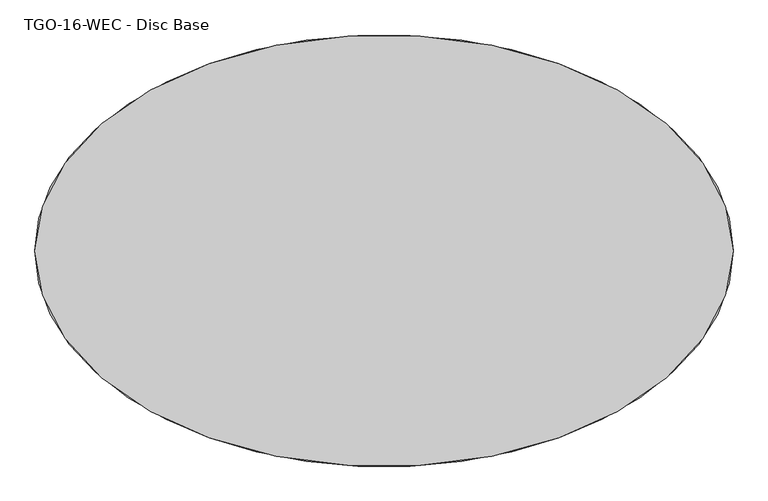
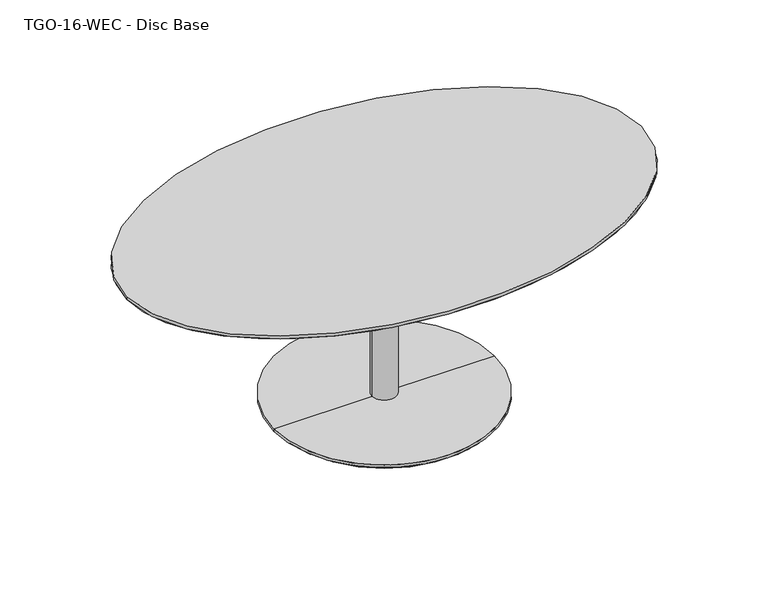
"""IFC4 building model written with IfcOpenShell, lengths in millimetres: furniture geometry, TGO-16-WEC - Disc Base."""

from ifc_helpers import new_model, si_unit, point, frame, origin, origin_with_axes, place, context, project, spatial, polyline, circle_curve, ellipse_curve, trimmed, source, transform, mapped, element, save
from ifc_brep_helpers import plane_surface, cylinder_surface, revolved_surface, extruded_surface, spline_surface, advanced_brep


def tgo_16_wec_disc_base_4b75ad3d(model_context):
    return source(origin(), model_context, "Body", "AdvancedBrep", [
        advanced_brep(
        [(-228.5999516, 0.0, 3.9999977), (228.5999516, 0.0, 3.9999977), (224.6000504, 0.0, 0.0), (-224.6000504, 0.0, 0.0), (-228.5999516, 0.0, 9.5249943), (228.5999516, 0.0, 9.5249943), (-25.4, 0.0, 9.5249943), (25.4, 0.0, 9.5249943), (-25.4, 0.0, 387.3500121), (25.4, 0.0, 387.3500121), (0.0, 0.0, 387.3500121), (0.0, 0.0, 0.0)],
        [
            (0, 1, circle_curve(frame((0.0, 0.0, 3.9999977), z_axis=(0.0, 0.0, -1.0), x_axis=(1.0, 0.0, 0.0)), 228.5999516)),
            (1, 2),
            (2, 3, circle_curve(origin_with_axes(), 224.6000504)),
            (3, 0),
            (1, 0, circle_curve(frame((0.0, 0.0, 3.9999977), z_axis=(0.0, 0.0, -1.0), x_axis=(1.0, 0.0, 0.0)), 228.5999516)),
            (3, 2, circle_curve(origin_with_axes(), 224.6000504)),
            (4, 5, circle_curve(frame((0.0, 0.0, 9.5249943), z_axis=(0.0, 0.0, -1.0), x_axis=(1.0, 0.0, 0.0)), 228.5999516)),
            (5, 1),
            (0, 4),
            (5, 4, circle_curve(frame((0.0, 0.0, 9.5249943), z_axis=(0.0, 0.0, -1.0), x_axis=(1.0, 0.0, 0.0)), 228.5999516)),
            (6, 7, circle_curve(frame((0.0, 0.0, 9.5249943), z_axis=(0.0, 0.0, -1.0), x_axis=(1.0, 0.0, 0.0)), 25.4)),
            (7, 5),
            (4, 6),
            (7, 6, circle_curve(frame((0.0, 0.0, 9.5249943), z_axis=(0.0, 0.0, -1.0), x_axis=(1.0, 0.0, 0.0)), 25.4)),
            (8, 9, circle_curve(frame((0.0, 0.0, 387.3500121), z_axis=(0.0, 0.0, -1.0), x_axis=(1.0, 0.0, 0.0)), 25.4)),
            (9, 7),
            (6, 8),
            (9, 8, circle_curve(frame((0.0, 0.0, 387.3500121), z_axis=(0.0, 0.0, -1.0), x_axis=(1.0, 0.0, 0.0)), 25.4)),
            (10, 9),
            (8, 10),
            (2, 11),
            (11, 3),
        ],
        [
            revolved_surface(polyline([(224.6000504, 0.0, 0.0), (228.5999516, 0.0, 3.9999977)]), (0.0, 0.0, -14.8746078), (0.0, 0.0, 1.0)),
            cylinder_surface(frame((0.0, 0.0, -14.8746078), z_axis=(0.0, 0.0, 1.0), x_axis=(1.0, 0.0, 0.0)), 228.5999516),
            plane_surface(frame((0.0, 0.0, 9.5249943), z_axis=(0.0, 0.0, 1.0), x_axis=(1.0, 0.0, 0.0))),
            cylinder_surface(frame((0.0, 0.0, -14.8746078), z_axis=(0.0, 0.0, 1.0), x_axis=(1.0, 0.0, 0.0)), 25.4),
            plane_surface(frame((0.0, 0.0, 387.3500121), z_axis=(0.0, 0.0, 1.0), x_axis=(1.0, 0.0, 0.0))),
            plane_surface(frame((0.0, 0.0, 0.0), z_axis=(0.0, 0.0, -1.0), x_axis=(1.0, 0.0, 0.0))),
        ],
        [
            (0, [[1, 2, 3, 4]]),
            (0, [[5, -4, 6, -2]]),
            (1, [[7, 8, -1, 9]]),
            (1, [[10, -9, -5, -8]]),
            (2, [[11, 12, -7, 13]]),
            (2, [[14, -13, -10, -12]]),
            (3, [[15, 16, -11, 17]]),
            (3, [[18, -17, -14, -16]]),
            (4, [[19, -15, 20]]),
            (4, [[-20, -18, -19]]),
            (5, [[-3, 21, 22]]),
            (5, [[-6, -22, -21]]),
        ],
    ),
        advanced_brep(
        [(533.3999516, 0.0, 406.4000121), (-533.3999516, 0.0, 406.4000121), (533.3999516, 0.0, 400.05), (-533.3999516, 0.0, 400.05)],
        [
            (0, 1, ellipse_curve(frame((0.0, 0.0, 406.4000121), z_axis=(0.0, 0.0, 1.0), x_axis=(-1.0, 0.0, 0.0)), 533.3999516, 330.2000109)),
            (1, 0, ellipse_curve(frame((0.0, 0.0, 406.4000121), z_axis=(0.0, 0.0, 1.0), x_axis=(-1.0, 0.0, 0.0)), 533.3999516, 330.2000109)),
            (2, 3, ellipse_curve(frame((0.0, 0.0, 400.05), z_axis=(0.0, 0.0, -1.0), x_axis=(-1.0, 0.0, 0.0)), 533.3999516, 330.2000109)),
            (3, 2, ellipse_curve(frame((0.0, 0.0, 400.05), z_axis=(0.0, 0.0, -1.0), x_axis=(-1.0, 0.0, 0.0)), 533.3999516, 330.2000109)),
            (0, 2),
            (3, 1),
        ],
        [
            plane_surface(frame((-533.3999516, 0.0, 406.4000121), z_axis=(0.0, 0.0, 1.0), x_axis=(0.0, -1.0, 0.0))),
            plane_surface(frame((-533.3999516, 0.0, 400.05), z_axis=(0.0, 0.0, -1.0), x_axis=(0.0, 1.0, 0.0))),
            extruded_surface(trimmed(ellipse_curve(frame((0.0, 0.0, 393.6999879), z_axis=(0.0, 0.0, 1.0), x_axis=(-1.0, 0.0, 0.0)), 533.3999516, 330.2000109), [point((533.3999516, 0.0, 393.6999879))], [point((-533.3999516, 0.0, 393.6999879))], True, "CARTESIAN"), (0.0, 0.0, 6.350012100000015), 6.350012100000015),
            extruded_surface(trimmed(ellipse_curve(frame((0.0, 0.0, 393.6999879), z_axis=(0.0, 0.0, 1.0), x_axis=(-1.0, 0.0, 0.0)), 533.3999516, 330.2000109), [point((-533.3999516, 0.0, 393.6999879))], [point((533.3999516, 0.0, 393.6999879))], True, "CARTESIAN"), (0.0, 0.0, 6.350012100000015), 6.350012100000015),
        ],
        [
            (0, [[1, 2]]),
            (1, [[3, 4]]),
            (2, [[-1, 5, -4, 6]]),
            (3, [[-2, -6, -3, -5]]),
        ],
    ),
        advanced_brep(
        [(533.3999516, 0.0, 400.05), (-533.3999516, 0.0, 400.05), (495.2999516, 0.0, 387.3500121), (-495.2999516, 0.0, 387.3500121)],
        [
            (0, 1, ellipse_curve(frame((0.0, 0.0, 400.05), z_axis=(0.0, 0.0, 1.0), x_axis=(-1.0, 0.0, 0.0)), 533.3999516, 330.2000109)),
            (1, 0, ellipse_curve(frame((0.0, 0.0, 400.05), z_axis=(0.0, 0.0, 1.0), x_axis=(-1.0, 0.0, 0.0)), 533.3999516, 330.2000109)),
            (2, 3, ellipse_curve(frame((0.0, 0.0, 387.3500121), z_axis=(0.0, 0.0, -1.0), x_axis=(-1.0, 0.0, 0.0)), 495.2999516, 292.0981405)),
            (3, 2, ellipse_curve(frame((0.0, 0.0, 387.3500121), z_axis=(0.0, 0.0, -1.0), x_axis=(-1.0, 0.0, 0.0)), 495.2999516, 292.0981405)),
            (3, 1),
            (0, 2),
        ],
        [
            plane_surface(frame((0.0, 0.0, 400.05), z_axis=(0.0, 0.0, 1.0), x_axis=(0.0, 1.0, 0.0))),
            plane_surface(frame((0.0, 0.0, 387.3500121), z_axis=(0.0, 0.0, -1.0), x_axis=(0.0, 1.0, 0.0))),
            spline_surface(2, 1, [[(495.2999516, 0.0, 387.3500121), (533.3999516, 0.0, 400.05)], [(495.2999516, 292.0981405, 387.3500121), (533.3999516, 330.2000109, 400.05)], [(0.0, 292.0981405, 387.3500121), (0.0, 330.2000109, 400.05)], [(-495.2999516, 292.0981405, 387.3500121), (-533.3999516, 330.2000109, 400.05)], [(-495.2999516, 0.0, 387.3500121), (-533.3999516, 0.0, 400.05)]], [3, 2, 3], [2, 2], [0.0, 1.0, 2.0], [0.0, 1.0], weights=[[1.0, 1.0], [0.7071067811865476, 0.7071067811865476], [1.0, 1.0], [0.7071067811865476, 0.7071067811865476], [1.0, 1.0]]),
            spline_surface(2, 1, [[(-495.2999516, 0.0, 387.3500121), (-533.3999516, 0.0, 400.05)], [(-495.2999516, -292.0981405, 387.3500121), (-533.3999516, -330.2000109, 400.05)], [(0.0, -292.0981405, 387.3500121), (0.0, -330.2000109, 400.05)], [(495.2999516, -292.0981405, 387.3500121), (533.3999516, -330.2000109, 400.05)], [(495.2999516, 0.0, 387.3500121), (533.3999516, 0.0, 400.05)]], [3, 2, 3], [2, 2], [0.0, 1.0, 2.0], [0.0, 1.0], weights=[[1.0, 1.0], [0.7071067811865476, 0.7071067811865476], [1.0, 1.0], [0.7071067811865476, 0.7071067811865476], [1.0, 1.0]]),
        ],
        [
            (0, [[1, 2]]),
            (1, [[3, 4]]),
            (2, [[-4, 5, -1, 6]]),
            (3, [[-3, -6, -2, -5]]),
        ],
    ),
    ])


if __name__ == "__main__":
    model = new_model("IFC4")
    model_context = context("Model", 3, world=origin())
    ifc_project = project(units=[si_unit("LENGTHUNIT", "METRE", prefix="MILLI")], contexts=[model_context])
    site = spatial("IfcSite", under=ifc_project)
    building = spatial("IfcBuilding", under=site)
    placement = place(None, origin())
    tgo_16_wec_disc_base_shape = tgo_16_wec_disc_base_4b75ad3d(model_context)
    element("IfcFurniture", 1, ObjectType="TGO-16-WEC - Disc Base", at=placement, inside=building, context=model_context, shape_type="MappedRepresentation", body=[
        mapped(tgo_16_wec_disc_base_shape, transform((0.0, 0.0, 0.0), x_axis=(1.0, 0.0, 0.0), y_axis=(0.0, 1.0, 0.0), z_axis=(0.0, 0.0, 1.0))),
    ])
    save(model, "model.ifc")
